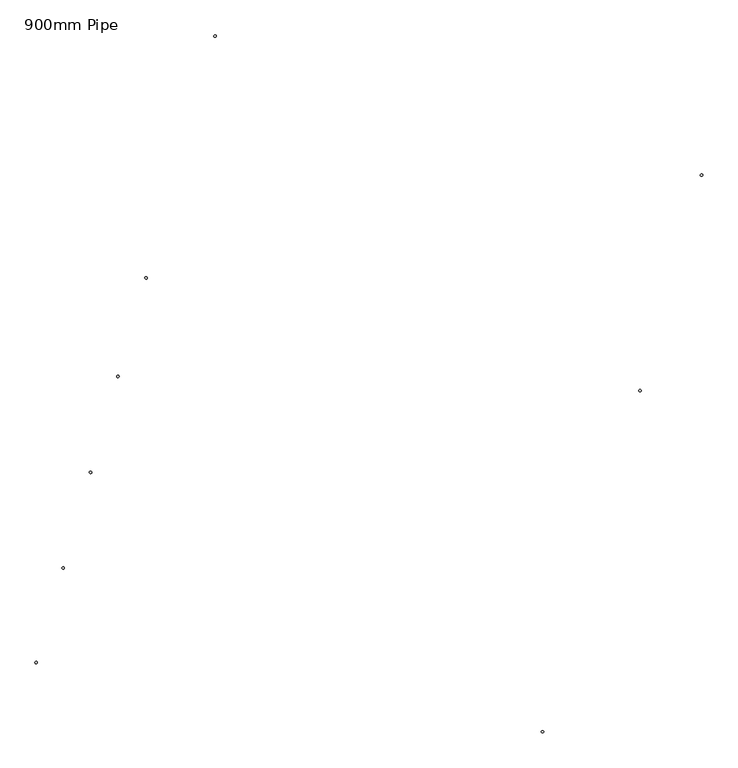
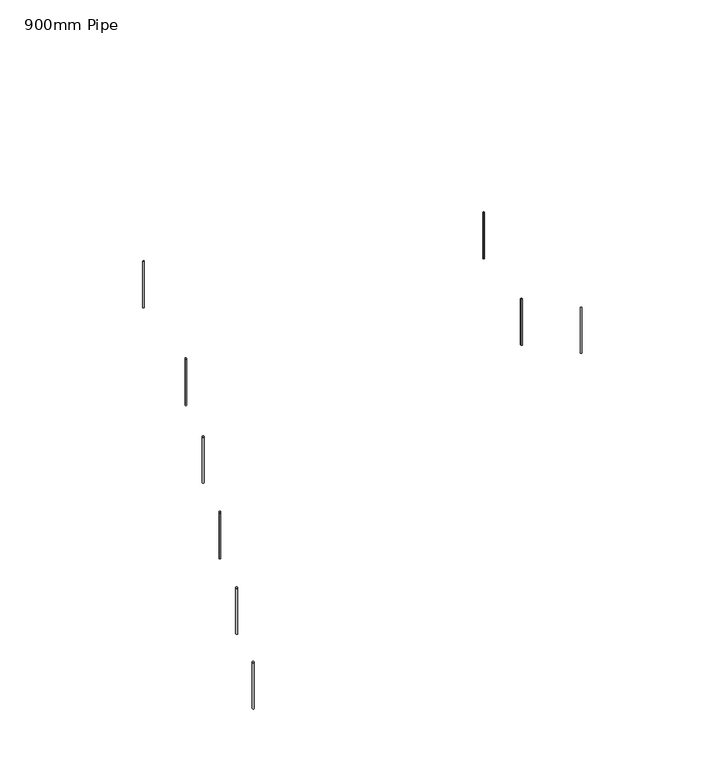
"""IFC4 building model written with IfcOpenShell, lengths in millimetres: railing geometry, 900mm Pipe."""

from ifc_helpers import new_model, si_unit, point, frame, frame_2d, origin, place, context, project, spatial, circle_curve, ellipse_curve, trimmed, segment, composite_curve, outline, extrude, source, transform, mapped, element, save
from ifc_brep_helpers import plane_surface, cylinder_surface, advanced_brep


def railing_900mm_pipe_3772b974(model_context):
    return source(origin(), model_context, "Body", "SolidModel", [
        advanced_brep(
        [(15438.5576586, 5222.2810166, -2109.3231955), (15462.5952054, 5215.4110568, -2109.3231955), (15462.5952054, 5215.4110568, -2920.125952), (15438.5576586, 5222.2810166, -2920.125952)],
        [
            (0, 1, ellipse_curve(frame((15450.576432, 5218.8460367, -2109.3231955), z_axis=(0.15068168572697785, 0.5272255104274128, -0.8362585071258757), x_axis=(0.22980249296278726, 0.8040641174490493, 0.5483353985104389)), 14.947531, 12.5)),
            (1, 2),
            (2, 3, ellipse_curve(frame((15450.576432, 5218.8460367, -2920.125952), z_axis=(-0.1506816857269776, -0.527225510427412, 0.8362585071258762), x_axis=(0.2298024929627874, 0.8040641174490498, 0.548335398510438)), 14.947531, 12.5)),
            (3, 0),
            (3, 2, ellipse_curve(frame((15450.576432, 5218.8460367, -2920.125952), z_axis=(-0.1506816857269776, -0.527225510427412, 0.8362585071258762), x_axis=(0.2298024929627874, 0.8040641174490498, 0.548335398510438)), 14.947531, 12.5)),
            (1, 0, ellipse_curve(frame((15450.576432, 5218.8460367, -2109.3231955), z_axis=(0.15068168572697785, 0.5272255104274128, -0.8362585071258757), x_axis=(0.22980249296278726, 0.8040641174490493, 0.5483353985104389)), 14.947531, 12.5)),
        ],
        [
            cylinder_surface(frame((15450.576432, 5218.8460367, -3020.125952), z_axis=(0.0, 0.0, 1.0), x_axis=(0.9615018688565116, -0.2747983918901921, 0.0)), 12.5),
            plane_surface(frame((15481.4839385, 5236.0136236, -2092.9306747), z_axis=(-0.15068168572697785, -0.5272255104274128, 0.8362585071258757), x_axis=(-0.9615018688565116, 0.2747983918901921, 0.0))),
            plane_surface(frame((15467.7440189, 5187.9385302, -2936.5184728), z_axis=(0.1506816857269776, 0.527225510427412, -0.8362585071258762), x_axis=(-0.9615018688565116, 0.2747983918901921, 0.0))),
        ],
        [
            (0, [[1, 2, 3, 4]]),
            (0, [[5, -2, 6, -4]]),
            (1, [[-6, -1]]),
            (2, [[-5, -3]]),
        ],
    ),
        advanced_brep(
        [(15163.7592668, 4260.7791477, -2765.024027), (15187.7968135, 4253.909188, -2765.024027), (15187.7968135, 4253.909188, -3575.8267836), (15163.7592668, 4260.7791477, -3575.8267836)],
        [
            (0, 1, ellipse_curve(frame((15175.7780401, 4257.3441678, -2765.024027), z_axis=(0.15068168572697785, 0.5272255104274128, -0.8362585071258757), x_axis=(0.22980249296278726, 0.8040641174490493, 0.5483353985104389)), 14.947531, 12.5)),
            (1, 2),
            (2, 3, ellipse_curve(frame((15175.7780401, 4257.3441678, -3575.8267836), z_axis=(-0.1506816857269776, -0.527225510427412, 0.8362585071258762), x_axis=(0.2298024929627874, 0.8040641174490498, 0.548335398510438)), 14.947531, 12.5)),
            (3, 0),
            (3, 2, ellipse_curve(frame((15175.7780401, 4257.3441678, -3575.8267836), z_axis=(-0.1506816857269776, -0.527225510427412, 0.8362585071258762), x_axis=(0.2298024929627874, 0.8040641174490498, 0.548335398510438)), 14.947531, 12.5)),
            (1, 0, ellipse_curve(frame((15175.7780401, 4257.3441678, -2765.024027), z_axis=(0.15068168572697785, 0.5272255104274128, -0.8362585071258757), x_axis=(0.22980249296278726, 0.8040641174490493, 0.5483353985104389)), 14.947531, 12.5)),
        ],
        [
            cylinder_surface(frame((15175.7780401, 4257.3441678, -3675.8267836), z_axis=(0.0, 0.0, 1.0), x_axis=(0.9615018688565116, -0.2747983918901921, 0.0)), 12.5),
            plane_surface(frame((15206.6855466, 4274.5117548, -2748.6315062), z_axis=(-0.15068168572697785, -0.5272255104274128, 0.8362585071258757), x_axis=(-0.9615018688565116, 0.2747983918901921, 0.0))),
            plane_surface(frame((15192.945627, 4226.4366613, -3592.2193044), z_axis=(0.1506816857269776, 0.527225510427412, -0.8362585071258762), x_axis=(-0.9615018688565116, 0.2747983918901921, 0.0))),
        ],
        [
            (0, [[1, 2, 3, 4]]),
            (0, [[5, -2, 6, -4]]),
            (1, [[-6, -1]]),
            (2, [[-5, -3]]),
        ],
    ),
        advanced_brep(
        [(14888.9608749, 3299.2772789, -3420.7248586), (14912.9984216, 3292.4073191, -3420.7248586), (14912.9984216, 3292.4073191, -4231.5276151), (14888.9608749, 3299.2772789, -4231.5276151)],
        [
            (0, 1, ellipse_curve(frame((14900.9796482, 3295.842299, -3420.7248586), z_axis=(0.15068168572697785, 0.5272255104274128, -0.8362585071258757), x_axis=(0.22980249296278726, 0.8040641174490493, 0.5483353985104389)), 14.947531, 12.5)),
            (1, 2),
            (2, 3, ellipse_curve(frame((14900.9796482, 3295.842299, -4231.5276151), z_axis=(-0.1506816857269776, -0.527225510427412, 0.8362585071258762), x_axis=(0.2298024929627874, 0.8040641174490498, 0.548335398510438)), 14.947531, 12.5)),
            (3, 0),
            (3, 2, ellipse_curve(frame((14900.9796482, 3295.842299, -4231.5276151), z_axis=(-0.1506816857269776, -0.527225510427412, 0.8362585071258762), x_axis=(0.2298024929627874, 0.8040641174490498, 0.548335398510438)), 14.947531, 12.5)),
            (1, 0, ellipse_curve(frame((14900.9796482, 3295.842299, -3420.7248586), z_axis=(0.15068168572697785, 0.5272255104274128, -0.8362585071258757), x_axis=(0.22980249296278726, 0.8040641174490493, 0.5483353985104389)), 14.947531, 12.5)),
        ],
        [
            cylinder_surface(frame((14900.9796482, 3295.842299, -4331.5276151), z_axis=(0.0, 0.0, 1.0), x_axis=(0.9615018688565116, -0.2747983918901921, 0.0)), 12.5),
            plane_surface(frame((14931.8871547, 3313.0098859, -3404.3323378), z_axis=(-0.15068168572697785, -0.5272255104274128, 0.8362585071258757), x_axis=(-0.9615018688565116, 0.2747983918901921, 0.0))),
            plane_surface(frame((14918.1472351, 3264.9347925, -4247.9201359), z_axis=(0.1506816857269776, 0.527225510427412, -0.8362585071258762), x_axis=(-0.9615018688565116, 0.2747983918901921, 0.0))),
        ],
        [
            (0, [[1, 2, 3, 4]]),
            (0, [[5, -2, 6, -4]]),
            (1, [[-6, -1]]),
            (2, [[-5, -3]]),
        ],
    ),
        extrude(outline(composite_curve([segment(trimmed(circle_curve(frame_2d((20694.5325899, 5076.0219133)), 12.5), [point((20682.5138165, 5079.4568932))], [point((20706.5513632, 5072.5869334))], False, "CARTESIAN"), True, "CONTINUOUS"), segment(trimmed(circle_curve(frame_2d((20694.5325899, 5076.0219133)), 12.5), [point((20706.5513632, 5072.5869334))], [point((20682.5138165, 5079.4568932))], False, "CARTESIAN"), True, "CONTINUOUS")], self_intersect=False)), frame((0.0, 0.0, -2238.8131696), z_axis=(0.0, 0.0, 1.0), x_axis=(1.0, 0.0, 0.0)), (0.0, 0.0, 1.0), 812.606273),
        extrude(outline(composite_curve([segment(trimmed(circle_curve(frame_2d((21313.1480834, 7240.5176699)), 12.5), [point((21309.7131035, 7228.4988965))], [point((21316.5830633, 7252.5364432))], False, "CARTESIAN"), True, "CONTINUOUS"), segment(trimmed(circle_curve(frame_2d((21313.1480834, 7240.5176699)), 12.5), [point((21316.5830633, 7252.5364432))], [point((21309.7131035, 7228.4988965))], False, "CARTESIAN"), True, "CONTINUOUS")], self_intersect=False)), frame((0.0, 0.0, -2238.8131696), z_axis=(0.0, 0.0, 1.0), x_axis=(1.0, 0.0, 0.0)), (0.0, 0.0, 1.0), 812.606273),
        extrude(outline(composite_curve([segment(trimmed(circle_curve(frame_2d((16427.4479789, 8636.8566427)), 12.5), [point((16439.4667523, 8633.4216628))], [point((16415.4292056, 8640.2916226))], False, "CARTESIAN"), True, "CONTINUOUS"), segment(trimmed(circle_curve(frame_2d((16427.4479789, 8636.8566427)), 12.5), [point((16415.4292056, 8640.2916226))], [point((16439.4667523, 8633.4216628))], False, "CARTESIAN"), True, "CONTINUOUS")], self_intersect=False)), frame((0.0, 0.0, -2238.8131696), z_axis=(0.0, 0.0, 1.0), x_axis=(1.0, 0.0, 0.0)), (0.0, 0.0, 1.0), 812.606273),
        advanced_brep(
        [(15721.563266, 6212.4994038, -1434.0389959), (15745.6008128, 6205.629444, -1434.0389959), (15745.6008128, 6205.629444, -2244.8417525), (15721.563266, 6212.4994038, -2244.8417525)],
        [
            (0, 1, ellipse_curve(frame((15733.5820394, 6209.0644239, -1434.0389959), z_axis=(0.15068168572697785, 0.5272255104274128, -0.8362585071258757), x_axis=(0.22980249296278726, 0.8040641174490493, 0.5483353985104389)), 14.947531, 12.5)),
            (1, 2),
            (2, 3, ellipse_curve(frame((15733.5820394, 6209.0644239, -2244.8417525), z_axis=(-0.1506816857269776, -0.527225510427412, 0.8362585071258762), x_axis=(0.2298024929627874, 0.8040641174490498, 0.548335398510438)), 14.947531, 12.5)),
            (3, 0),
            (3, 2, ellipse_curve(frame((15733.5820394, 6209.0644239, -2244.8417525), z_axis=(-0.1506816857269776, -0.527225510427412, 0.8362585071258762), x_axis=(0.2298024929627874, 0.8040641174490498, 0.548335398510438)), 14.947531, 12.5)),
            (1, 0, ellipse_curve(frame((15733.5820394, 6209.0644239, -1434.0389959), z_axis=(0.15068168572697785, 0.5272255104274128, -0.8362585071258757), x_axis=(0.22980249296278726, 0.8040641174490493, 0.5483353985104389)), 14.947531, 12.5)),
        ],
        [
            cylinder_surface(frame((15733.5820394, 6209.0644239, -2344.8417525), z_axis=(0.0, 0.0, 1.0), x_axis=(0.9615018688565116, -0.2747983918901921, 0.0)), 12.5),
            plane_surface(frame((15764.4895459, 6226.2320108, -1417.6464751), z_axis=(-0.15068168572697785, -0.5272255104274128, 0.8362585071258757), x_axis=(-0.9615018688565116, 0.2747983918901921, 0.0))),
            plane_surface(frame((15750.7496263, 6178.1569174, -2261.2342733), z_axis=(0.1506816857269776, 0.527225510427412, -0.8362585071258762), x_axis=(-0.9615018688565116, 0.2747983918901921, 0.0))),
        ],
        [
            (0, [[1, 2, 3, 4]]),
            (0, [[5, -2, 6, -4]]),
            (1, [[-6, -1]]),
            (2, [[-5, -3]]),
        ],
    ),
        advanced_brep(
        [(19727.5820921, 1647.2365256, 844.5264508), (19703.5445454, 1654.1064854, 844.5264508), (19703.5445454, 1654.1064854, 31.9120644), (19727.5820921, 1647.2365256, 31.9120644)],
        [
            (0, 1, ellipse_curve(frame((19715.5633188, 1650.6715055, 844.5264508), z_axis=(-0.1480487039487045, -0.5180128768196933, -0.8424631984291098), x_axis=(-0.23150753215509937, -0.8100299397328163, 0.5387538949210432)), 14.8374434, 12.5)),
            (1, 2),
            (2, 3, ellipse_curve(frame((19715.5633188, 1650.6715055, 31.9120644), z_axis=(0.14804870394870442, 0.518012876819693, 0.8424631984291101), x_axis=(-0.2315075321550995, -0.8100299397328169, 0.5387538949210426)), 14.8374434, 12.5)),
            (3, 0),
            (3, 2, ellipse_curve(frame((19715.5633188, 1650.6715055, 31.9120644), z_axis=(0.14804870394870442, 0.518012876819693, 0.8424631984291101), x_axis=(-0.2315075321550995, -0.8100299397328169, 0.5387538949210426)), 14.8374434, 12.5)),
            (1, 0, ellipse_curve(frame((19715.5633188, 1650.6715055, 844.5264508), z_axis=(-0.1480487039487045, -0.5180128768196933, -0.8424631984291098), x_axis=(-0.23150753215509937, -0.8100299397328163, 0.5387538949210432)), 14.8374434, 12.5)),
        ],
        [
            cylinder_surface(frame((19715.5633188, 1650.6715055, -68.0879356), z_axis=(0.0, 0.0, 1.0), x_axis=(-0.9615018688565118, 0.27479839189019195, 0.0)), 12.5),
            plane_surface(frame((19684.6558123, 1633.5039186, 860.5139116), z_axis=(0.1480487039487045, 0.5180128768196933, 0.8424631984291098), x_axis=(0.9615018688565118, -0.27479839189019195, 0.0))),
            plane_surface(frame((19698.3957319, 1681.5790121, 15.9246036), z_axis=(-0.14804870394870442, -0.518012876819693, -0.8424631984291101), x_axis=(0.9615018688565118, -0.27479839189019195, 0.0))),
        ],
        [
            (0, [[1, 2, 3, 4]]),
            (0, [[5, -2, 6, -4]]),
            (1, [[-6, -1]]),
            (2, [[-5, -3]]),
        ],
    ),
        advanced_brep(
        [(14617.5974629, 2349.7941834, -4068.2294297), (14641.6350096, 2342.9242236, -4068.2294297), (14641.6350096, 2342.9242236, -4879.0321863), (14617.5974629, 2349.7941834, -4879.0321863)],
        [
            (0, 1, ellipse_curve(frame((14629.6162362, 2346.3592035, -4068.2294297), z_axis=(0.15068168572697785, 0.5272255104274128, -0.8362585071258757), x_axis=(0.22980249296278726, 0.8040641174490493, 0.5483353985104389)), 14.947531, 12.5)),
            (1, 2),
            (2, 3, ellipse_curve(frame((14629.6162362, 2346.3592035, -4879.0321863), z_axis=(-0.1506816857269776, -0.527225510427412, 0.8362585071258762), x_axis=(0.2298024929627874, 0.8040641174490498, 0.548335398510438)), 14.947531, 12.5)),
            (3, 0),
            (3, 2, ellipse_curve(frame((14629.6162362, 2346.3592035, -4879.0321863), z_axis=(-0.1506816857269776, -0.527225510427412, 0.8362585071258762), x_axis=(0.2298024929627874, 0.8040641174490498, 0.548335398510438)), 14.947531, 12.5)),
            (1, 0, ellipse_curve(frame((14629.6162362, 2346.3592035, -4068.2294297), z_axis=(0.15068168572697785, 0.5272255104274128, -0.8362585071258757), x_axis=(0.22980249296278726, 0.8040641174490493, 0.5483353985104389)), 14.947531, 12.5)),
        ],
        [
            cylinder_surface(frame((14629.6162362, 2346.3592035, -4979.0321863), z_axis=(0.0, 0.0, 1.0), x_axis=(0.9615018688565116, -0.2747983918901921, 0.0)), 12.5),
            plane_surface(frame((14660.5237427, 2363.5267904, -4051.8369089), z_axis=(-0.15068168572697785, -0.5272255104274128, 0.8362585071258757), x_axis=(-0.9615018688565116, 0.2747983918901921, 0.0))),
            plane_surface(frame((14646.7838232, 2315.451697, -4895.4247071), z_axis=(0.1506816857269776, 0.527225510427412, -0.8362585071258762), x_axis=(-0.9615018688565116, 0.2747983918901921, 0.0))),
        ],
        [
            (0, [[1, 2, 3, 4]]),
            (0, [[5, -2, 6, -4]]),
            (1, [[-6, -1]]),
            (2, [[-5, -3]]),
        ],
    ),
    ])


if __name__ == "__main__":
    model = new_model("IFC4")
    model_context = context("Model", 3, world=origin())
    ifc_project = project(units=[si_unit("LENGTHUNIT", "METRE", prefix="MILLI")], contexts=[model_context])
    site = spatial("IfcSite", under=ifc_project)
    building = spatial("IfcBuilding", under=site)
    placement = place(None, origin())
    railing_900mm_pipe_shape = railing_900mm_pipe_3772b974(model_context)
    element("IfcRailing", 1, ObjectType="900mm Pipe", at=placement, inside=building, context=model_context, shape_type="MappedRepresentation", body=[
        mapped(railing_900mm_pipe_shape, transform((0.0, 0.0, 0.0), x_axis=(1.0, 0.0, 0.0), y_axis=(0.0, 1.0, 0.0), z_axis=(0.0, 0.0, 1.0))),
    ])
    save(model, "model.ifc")
